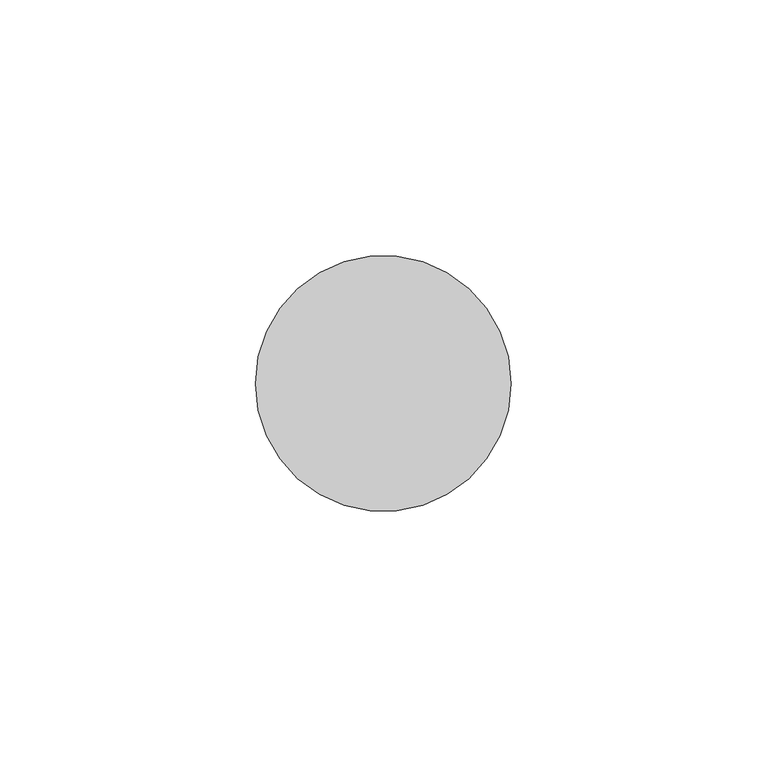
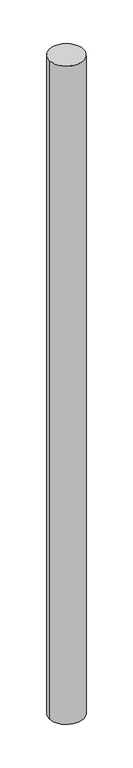
"""IFC4 building model written with IfcOpenShell, lengths in millimetres: member geometry."""

from ifc_helpers import new_model, si_unit, point, frame, origin, origin_2d, place, context, project, spatial, circle_curve, trimmed, segment, composite_curve, outline, extrude, source, transform, mapped, element, save


def member_9671e33d(model_context):
    return source(origin(), model_context, "Body", "SweptSolid", [
        extrude(outline(composite_curve([segment(trimmed(circle_curve(origin_2d(), 25.0), [point((25.0, 0.0))], [point((-25.0, 0.0))], False, "CARTESIAN"), True, "CONTINUOUS"), segment(trimmed(circle_curve(origin_2d(), 25.0), [point((-25.0, 0.0))], [point((25.0, 0.0))], False, "CARTESIAN"), True, "CONTINUOUS")], self_intersect=False)), frame((0.0, 0.0, -1018.7554653), z_axis=(0.0, 0.0, 1.0), x_axis=(1.0, 0.0, 0.0)), (0.0, 0.0, 1.0), 1018.7554653),
    ])


if __name__ == "__main__":
    model = new_model("IFC4")
    model_context = context("Model", 3, world=origin())
    ifc_project = project(units=[si_unit("LENGTHUNIT", "METRE", prefix="MILLI")], contexts=[model_context])
    site = spatial("IfcSite", under=ifc_project)
    building = spatial("IfcBuilding", under=site)
    placement = place(None, origin())
    member_shape = member_9671e33d(model_context)
    element("IfcMember", 1, at=placement, inside=building, context=model_context, shape_type="MappedRepresentation", body=[
        mapped(member_shape, transform((0.0, 0.0, 0.0), x_axis=(1.0, 0.0, 0.0), y_axis=(0.0, 1.0, 0.0), z_axis=(0.0, 0.0, 1.0))),
    ])
    save(model, "model.ifc")
